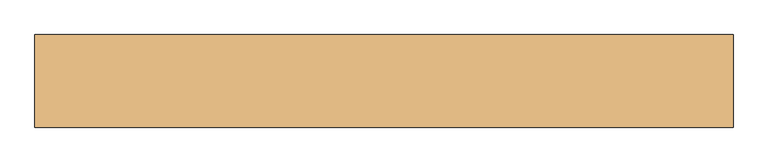
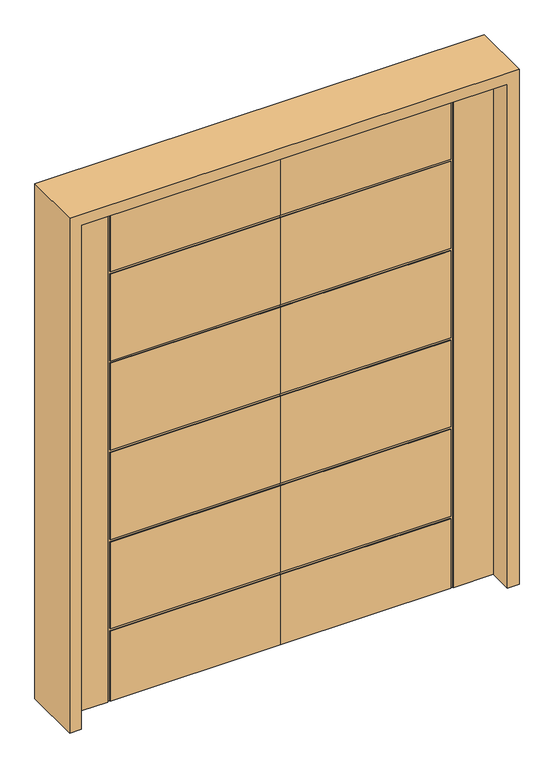
"""IFC4 building model written with IfcOpenShell, lengths in millimetres: door geometry."""

from ifc_helpers import new_model, si_unit, frame, origin, place, context, project, spatial, polyline, outline, extrude, faceted_brep, source, transform, mapped, element, save


def door_ce0bc15c(model_context):
    return source(origin(), model_context, "Body", "SolidModel", [
        faceted_brep([(0.0, -22.225, 0.0), (-649.224, -22.225, 0.0), (-649.224, -18.923, 0.0), (-659.13, -18.923, 0.0), (-659.13, -22.225, 0.0), (-812.8, -22.225, 0.0), (-812.8, 22.225, 0.0), (-659.13, 22.225, 0.0), (-659.13, 18.923, 0.0), (-649.224, 18.923, 0.0), (-649.224, 22.225, 0.0), (0.0, 22.225, 0.0), (0.0, -22.225, 2032.0), (0.0, -22.225, 1731.518), (0.0, -18.923, 1731.518), (0.0, -18.923, 1721.612), (0.0, -22.225, 1721.612), (0.0, -22.225, 1371.6), (0.0, -18.923, 1371.6), (0.0, -18.923, 1361.694), (0.0, -22.225, 1361.694), (0.0, -22.225, 1011.682), (0.0, -18.923, 1011.682), (0.0, -18.923, 1001.776), (0.0, -22.225, 1001.776), (0.0, -22.225, 651.764), (0.0, -18.923, 651.764), (0.0, -18.923, 641.858), (0.0, -22.225, 641.858), (0.0, -22.225, 291.846), (0.0, -18.923, 291.846), (0.0, -18.923, 281.94), (0.0, -22.225, 281.94), (0.0, 22.225, 281.94), (0.0, 18.923, 281.94), (0.0, 18.923, 291.846), (0.0, 22.225, 291.846), (0.0, 22.225, 641.858), (0.0, 18.923, 641.858), (0.0, 18.923, 651.764), (0.0, 22.225, 651.764), (0.0, 22.225, 1001.776), (0.0, 18.923, 1001.776), (0.0, 18.923, 1011.682), (0.0, 22.225, 1011.682), (0.0, 22.225, 1361.694), (0.0, 18.923, 1361.694), (0.0, 18.923, 1371.6), (0.0, 22.225, 1371.6), (0.0, 22.225, 1721.612), (0.0, 18.923, 1721.612), (0.0, 18.923, 1731.518), (0.0, 22.225, 1731.518), (0.0, 22.225, 2032.0), (-649.224, 22.225, 1731.518), (-649.224, 22.225, 2032.0), (-649.224, 22.225, 281.94), (-649.224, 22.225, 291.846), (-649.224, 22.225, 641.858), (-649.224, 22.225, 651.764), (-649.224, 22.225, 1001.776), (-649.224, 22.225, 1011.682), (-649.224, 22.225, 1361.694), (-649.224, 22.225, 1371.6), (-649.224, 22.225, 1721.612), (-812.8, 22.225, 2032.0), (-659.13, 22.225, 2032.0), (-649.224, 18.923, 281.94), (-649.224, 18.923, 291.846), (-659.13, 18.923, 2032.0), (-649.224, 18.923, 2032.0), (-649.224, 18.923, 1731.518), (-649.224, 18.923, 1721.612), (-649.224, 18.923, 1371.6), (-649.224, 18.923, 1361.694), (-649.224, 18.923, 1011.682), (-649.224, 18.923, 1001.776), (-649.224, 18.923, 651.764), (-649.224, 18.923, 641.858), (-812.8, -22.225, 2032.0), (-659.13, -22.225, 2032.0), (-649.224, -22.225, 281.94), (-649.224, -22.225, 641.858), (-649.224, -22.225, 291.846), (-649.224, -22.225, 1001.776), (-649.224, -22.225, 651.764), (-649.224, -22.225, 2032.0), (-649.224, -22.225, 1731.518), (-649.224, -22.225, 1361.694), (-649.224, -22.225, 1011.682), (-649.224, -22.225, 1721.612), (-649.224, -22.225, 1371.6), (-659.13, -18.923, 2032.0), (-649.224, -18.923, 2032.0), (-649.224, -18.923, 291.846), (-649.224, -18.923, 641.858), (-649.224, -18.923, 651.764), (-649.224, -18.923, 1001.776), (-649.224, -18.923, 1011.682), (-649.224, -18.923, 1361.694), (-649.224, -18.923, 1371.6), (-649.224, -18.923, 1721.612), (-649.224, -18.923, 1731.518), (-649.224, -18.923, 281.94)], [[[0, 1, 2, 3, 4, 5, 6, 7, 8, 9, 10, 11]], [[12, 13, 14, 15, 16, 17, 18, 19, 20, 21, 22, 23, 24, 25, 26, 27, 28, 29, 30, 31, 32, 0, 11, 33, 34, 35, 36, 37, 38, 39, 40, 41, 42, 43, 44, 45, 46, 47, 48, 49, 50, 51, 52, 53]], [[53, 52, 54, 55]], [[10, 56, 33, 11]], [[36, 57, 58, 37]], [[40, 59, 60, 41]], [[44, 61, 62, 45]], [[48, 63, 64, 49]], [[65, 66, 7, 6]], [[67, 56, 10, 9]], [[68, 35, 34, 67, 9, 8, 69, 70, 71, 51, 50, 72, 73, 47, 46, 74, 75, 43, 42, 76, 77, 39, 38, 78]], [[65, 6, 5, 79]], [[5, 4, 80, 79]], [[0, 32, 81, 1]], [[28, 82, 83, 29]], [[24, 84, 85, 25]], [[86, 87, 13, 12]], [[20, 88, 89, 21]], [[16, 90, 91, 17]], [[34, 33, 56, 67]], [[38, 37, 58, 78]], [[78, 58, 57, 68]], [[68, 57, 36, 35]], [[42, 41, 60, 76]], [[76, 60, 59, 77]], [[77, 59, 40, 39]], [[74, 62, 61, 75]], [[75, 61, 44, 43]], [[79, 80, 92, 93, 86, 12, 53, 55, 70, 69, 66, 65]], [[46, 45, 62, 74]], [[73, 63, 48, 47]], [[72, 64, 63, 73]], [[50, 49, 64, 72]], [[71, 54, 52, 51]], [[70, 55, 54, 71]], [[8, 7, 66, 69]], [[92, 80, 4, 3]], [[94, 95, 27, 26, 96, 97, 23, 22, 98, 99, 19, 18, 100, 101, 15, 14, 102, 93, 92, 3, 2, 103, 31, 30]], [[2, 1, 81, 103]], [[103, 81, 32, 31]], [[30, 29, 83, 94]], [[94, 83, 82, 95]], [[95, 82, 28, 27]], [[26, 25, 85, 96]], [[96, 85, 84, 97]], [[97, 84, 24, 23]], [[22, 21, 89, 98]], [[98, 89, 88, 99]], [[99, 88, 20, 19]], [[18, 17, 91, 100]], [[100, 91, 90, 101]], [[101, 90, 16, 15]], [[14, 13, 87, 102]], [[102, 87, 86, 93]]]),
        faceted_brep([(0.0, -22.225, 0.0), (0.0, 22.225, 0.0), (649.224, 22.225, 0.0), (649.224, 18.923, 0.0), (659.13, 18.923, 0.0), (659.13, 22.225, 0.0), (812.8, 22.225, 0.0), (812.8, -22.225, 0.0), (659.13, -22.225, 0.0), (659.13, -18.923, 0.0), (649.224, -18.923, 0.0), (649.224, -22.225, 0.0), (0.0, -22.225, 2032.0), (0.0, 22.225, 2032.0), (0.0, 22.225, 1731.518), (0.0, 18.923, 1731.518), (0.0, 18.923, 1721.612), (0.0, 22.225, 1721.612), (0.0, 22.225, 1371.6), (0.0, 18.923, 1371.6), (0.0, 18.923, 1361.694), (0.0, 22.225, 1361.694), (0.0, 22.225, 1011.682), (0.0, 18.923, 1011.682), (0.0, 18.923, 1001.776), (0.0, 22.225, 1001.776), (0.0, 22.225, 651.764), (0.0, 18.923, 651.764), (0.0, 18.923, 641.858), (0.0, 22.225, 641.858), (0.0, 22.225, 291.846), (0.0, 18.923, 291.846), (0.0, 18.923, 281.94), (0.0, 22.225, 281.94), (0.0, -22.225, 281.94), (0.0, -18.923, 281.94), (0.0, -18.923, 291.846), (0.0, -22.225, 291.846), (0.0, -22.225, 641.858), (0.0, -18.923, 641.858), (0.0, -18.923, 651.764), (0.0, -22.225, 651.764), (0.0, -22.225, 1001.776), (0.0, -18.923, 1001.776), (0.0, -18.923, 1011.682), (0.0, -22.225, 1011.682), (0.0, -22.225, 1361.694), (0.0, -18.923, 1361.694), (0.0, -18.923, 1371.6), (0.0, -22.225, 1371.6), (0.0, -22.225, 1721.612), (0.0, -18.923, 1721.612), (0.0, -18.923, 1731.518), (0.0, -22.225, 1731.518), (649.224, 22.225, 281.94), (649.224, 22.225, 1721.612), (649.224, 22.225, 1371.6), (649.224, 22.225, 1361.694), (649.224, 22.225, 1011.682), (649.224, 22.225, 1001.776), (649.224, 22.225, 651.764), (649.224, 22.225, 641.858), (649.224, 22.225, 291.846), (812.8, 22.225, 2032.0), (659.13, 22.225, 2032.0), (649.224, 22.225, 2032.0), (649.224, 22.225, 1731.518), (649.224, 18.923, 281.94), (649.224, 18.923, 291.846), (649.224, 18.923, 641.858), (649.224, 18.923, 651.764), (649.224, 18.923, 1001.776), (649.224, 18.923, 1011.682), (649.224, 18.923, 1361.694), (649.224, 18.923, 1371.6), (649.224, 18.923, 1721.612), (649.224, 18.923, 1731.518), (649.224, 18.923, 2032.0), (659.13, 18.923, 2032.0), (812.8, -22.225, 2032.0), (649.224, -22.225, 281.94), (659.13, -22.225, 2032.0), (649.224, -22.225, 291.846), (649.224, -22.225, 641.858), (649.224, -22.225, 651.764), (649.224, -22.225, 1001.776), (649.224, -22.225, 1011.682), (649.224, -22.225, 1361.694), (649.224, -22.225, 1371.6), (649.224, -22.225, 1721.612), (649.224, -22.225, 2032.0), (649.224, -22.225, 1731.518), (649.224, -18.923, 2032.0), (659.13, -18.923, 2032.0), (649.224, -18.923, 291.846), (649.224, -18.923, 281.94), (649.224, -18.923, 1731.518), (649.224, -18.923, 1721.612), (649.224, -18.923, 1371.6), (649.224, -18.923, 1361.694), (649.224, -18.923, 1011.682), (649.224, -18.923, 1001.776), (649.224, -18.923, 651.764), (649.224, -18.923, 641.858)], [[[0, 1, 2, 3, 4, 5, 6, 7, 8, 9, 10, 11]], [[12, 13, 14, 15, 16, 17, 18, 19, 20, 21, 22, 23, 24, 25, 26, 27, 28, 29, 30, 31, 32, 33, 1, 0, 34, 35, 36, 37, 38, 39, 40, 41, 42, 43, 44, 45, 46, 47, 48, 49, 50, 51, 52, 53]], [[2, 1, 33, 54]], [[18, 17, 55, 56]], [[22, 21, 57, 58]], [[26, 25, 59, 60]], [[30, 29, 61, 62]], [[63, 6, 5, 64]], [[13, 65, 66, 14]], [[67, 3, 2, 54]], [[68, 69, 28, 27, 70, 71, 24, 23, 72, 73, 20, 19, 74, 75, 16, 15, 76, 77, 78, 4, 3, 67, 32, 31]], [[63, 79, 7, 6]], [[0, 11, 80, 34]], [[7, 79, 81, 8]], [[38, 37, 82, 83]], [[42, 41, 84, 85]], [[46, 45, 86, 87]], [[50, 49, 88, 89]], [[90, 12, 53, 91]], [[32, 67, 54, 33]], [[28, 69, 61, 29]], [[69, 68, 62, 61]], [[68, 31, 30, 62]], [[24, 71, 59, 25]], [[71, 70, 60, 59]], [[70, 27, 26, 60]], [[73, 72, 58, 57]], [[72, 23, 22, 58]], [[79, 63, 64, 78, 77, 65, 13, 12, 90, 92, 93, 81]], [[20, 73, 57, 21]], [[74, 19, 18, 56]], [[75, 74, 56, 55]], [[16, 75, 55, 17]], [[76, 15, 14, 66]], [[77, 76, 66, 65]], [[4, 78, 64, 5]], [[93, 9, 8, 81]], [[94, 36, 35, 95, 10, 9, 93, 92, 96, 52, 51, 97, 98, 48, 47, 99, 100, 44, 43, 101, 102, 40, 39, 103]], [[10, 95, 80, 11]], [[95, 35, 34, 80]], [[36, 94, 82, 37]], [[94, 103, 83, 82]], [[103, 39, 38, 83]], [[40, 102, 84, 41]], [[102, 101, 85, 84]], [[101, 43, 42, 85]], [[44, 100, 86, 45]], [[100, 99, 87, 86]], [[99, 47, 46, 87]], [[48, 98, 88, 49]], [[98, 97, 89, 88]], [[97, 51, 50, 89]], [[52, 96, 91, 53]], [[96, 92, 90, 91]]]),
        extrude(outline(polyline([(0.0, -857.25), (0.0, -812.8), (2032.0, -812.8), (2032.0, 812.8), (0.0, 812.8), (0.0, 857.25), (2076.45, 857.25), (2076.45, -857.25), (0.0, -857.25)])), frame((0.0, -114.3, 0.0), z_axis=(0.0, 1.0, 0.0), x_axis=(0.0, 0.0, 1.0)), (0.0, 0.0, 1.0), 228.6),
    ])


if __name__ == "__main__":
    model = new_model("IFC4")
    model_context = context("Model", 3, world=origin())
    ifc_project = project(units=[si_unit("LENGTHUNIT", "METRE", prefix="MILLI")], contexts=[model_context])
    site = spatial("IfcSite", under=ifc_project)
    building = spatial("IfcBuilding", under=site)
    placement = place(None, origin())
    door_shape = door_ce0bc15c(model_context)
    element("IfcDoor", 1, at=placement, inside=building, context=model_context, shape_type="MappedRepresentation", body=[
        mapped(door_shape, transform((0.0, 0.0, 0.0), x_axis=(1.0, 0.0, 0.0), y_axis=(0.0, 1.0, 0.0), z_axis=(0.0, 0.0, 1.0))),
    ])
    save(model, "model.ifc")
